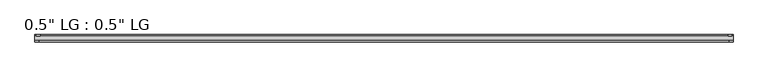
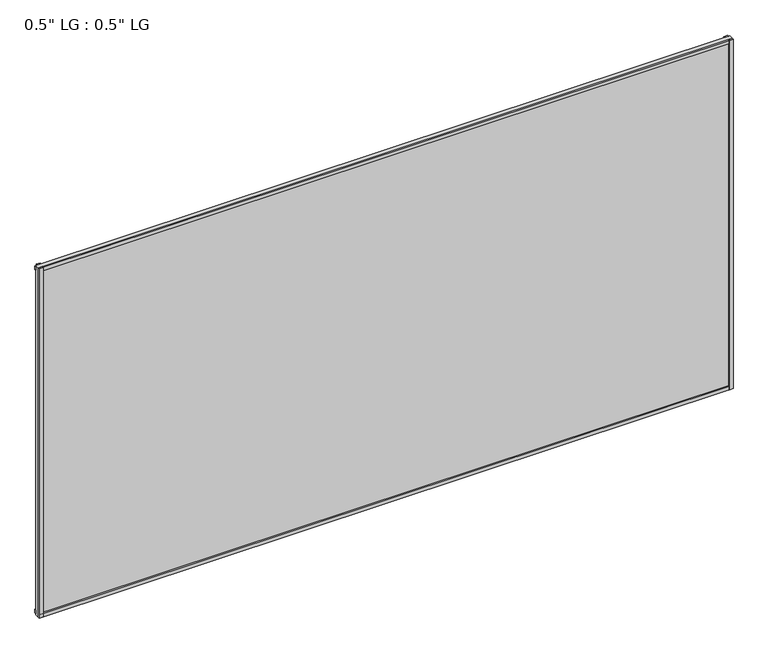
"""IFC4 building model written with IfcOpenShell, lengths in millimetres: plate geometry."""

from ifc_helpers import new_model, si_unit, frame, origin, origin_with_axes, place, context, project, spatial, polyline, outline, extrude, source, transform, mapped, element, save


def plate_d94cd8a5(model_context):
    return source(origin(), model_context, "Body", "SweptSolid", [
        extrude(outline(polyline([(1080.7898438, -33.3271813), (1080.7898438, -38.0007813), (1068.6521642, -38.0007813), (1068.6521642, -33.3271813), (1080.7898438, -33.3271813)])), origin_with_axes(), (0.0, 0.0, 1.0), 1151.4819562),
        extrude(outline(polyline([(1077.2584901, -15.5217813), (1077.2584901, -19.7127813), (1065.2460662, -19.7127813), (1065.2460662, -15.5217813), (1077.2584901, -15.5217813)])), origin_with_axes(), (0.0, 0.0, 1.0), 1151.4819562),
        extrude(outline(polyline([(-1068.4992658, -38.0007812), (-1080.7898438, -38.0007812), (-1080.7898438, -33.3271813), (-1068.4992658, -33.3271813), (-1068.4992658, -38.0007812)])), origin_with_axes(), (0.0, 0.0, 1.0), 1151.4819562),
        extrude(outline(polyline([(-1064.5400278, -19.7127813), (-1076.8306058, -19.7127813), (-1076.8306058, -15.5217812), (-1064.5400278, -15.5217812), (-1064.5400278, -19.7127813)])), origin_with_axes(), (0.0, 0.0, 1.0), 1151.4819562),
        extrude(outline(polyline([(1080.7898438, -33.3271813), (1080.7898438, -38.0007813), (-1080.7898438, -38.0007812), (-1080.7898438, -33.3271812), (1080.7898438, -33.3271813)])), origin_with_axes(), (0.0, 0.0, 1.0), 11.1693096),
        extrude(outline(polyline([(1080.7898438, -15.3590708), (1080.7898438, -20.1364307), (-1080.7898438, -20.1364307), (-1080.7898438, -15.3590708), (1080.7898438, -15.3590708)])), frame((0.0, 0.0, 3.848913), z_axis=(0.0, 0.0, 1.0), x_axis=(1.0, 0.0, 0.0)), (0.0, 0.0, 1.0), 11.1693096),
        extrude(outline(polyline([(1080.7898438, -33.3271813), (1080.7898438, -38.0007813), (-1080.7898438, -38.0007812), (-1080.7898438, -33.3271812), (1080.7898438, -33.3271813)])), frame((0.0, 0.0, 1140.3008503), z_axis=(0.0, 0.0, 1.0), x_axis=(1.0, 0.0, 0.0)), (0.0, 0.0, 1.0), 11.1811058),
        extrude(outline(polyline([(1080.7898438, -15.5217813), (1080.7898438, -19.7127813), (-1080.7898438, -19.7127812), (-1080.7898438, -15.5217812), (1080.7898438, -15.5217813)])), frame((0.0, 0.0, 1135.7417036), z_axis=(0.0, 0.0, 1.0), x_axis=(1.0, 0.0, 0.0)), (0.0, 0.0, 1.0), 11.1811058),
        extrude(outline(polyline([(1080.7898438, -33.3271812), (-1080.7898437, -33.3271812), (-1080.7898437, -19.7127812), (1080.7898438, -19.7127812), (1080.7898438, -33.3271812)])), origin_with_axes(), (0.0, 0.0, 1.0), 1151.4819562),
    ])


if __name__ == "__main__":
    model = new_model("IFC4")
    model_context = context("Model", 3, world=origin())
    ifc_project = project(units=[si_unit("LENGTHUNIT", "METRE", prefix="MILLI")], contexts=[model_context])
    site = spatial("IfcSite", under=ifc_project)
    building = spatial("IfcBuilding", under=site)
    placement = place(None, origin())
    plate_shape = plate_d94cd8a5(model_context)
    element("IfcPlate", 1, ObjectType="0.5\" LG : 0.5\" LG", at=placement, inside=building, context=model_context, shape_type="MappedRepresentation", body=[
        mapped(plate_shape, transform((0.0, 0.0, 0.0), x_axis=(1.0, 0.0, 0.0), y_axis=(0.0, 1.0, 0.0), z_axis=(0.0, 0.0, 1.0))),
    ])
    save(model, "model.ifc")
